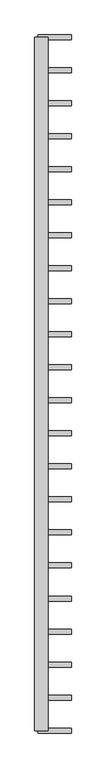
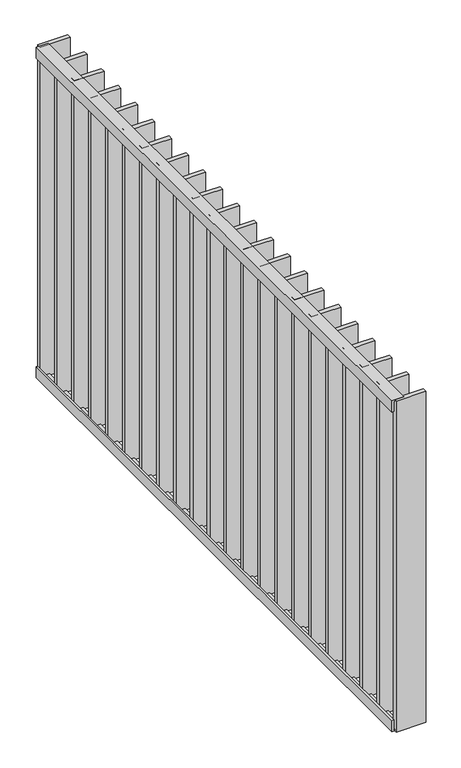
"""IFC4 building model written with IfcOpenShell, lengths in millimetres: railing geometry."""

from ifc_helpers import new_model, si_unit, frame, origin, place, context, project, spatial, polyline, outline, extrude, source, transform, mapped, element, save


def railing_046e6f09(model_context):
    return source(origin(), model_context, "Body", "SweptSolid", [
        extrude(outline(polyline([(7994.0, 60851.9325551), (7994.0, 60885.9325551), (8000.0, 60885.9325551), (8000.0, 60845.9325551), (7960.0, 60845.9325551), (7960.0, 60851.9325551), (7994.0, 60851.9325551)])), frame((0.0, 6109.4012767, 0.0), z_axis=(0.0, 1.0, 0.0), x_axis=(0.0, 0.0, 1.0)), (0.0, 0.0, 1.0), 2080.0),
        extrude(outline(polyline([(6826.0, 60851.9325551), (6860.0, 60851.9325551), (6860.0, 60845.9325551), (6820.0, 60845.9325551), (6820.0, 60885.9325551), (6826.0, 60885.9325551), (6826.0, 60851.9325551)])), frame((0.0, 6109.4012767, 0.0), z_axis=(0.0, 1.0, 0.0), x_axis=(0.0, 0.0, 1.0)), (0.0, 0.0, 1.0), 2080.0),
        extrude(outline(polyline([(60855.9325551, 8082.8536576), (60855.9325551, 8097.8536576), (60955.9325551, 8097.8536576), (60955.9325551, 8082.8536576), (60855.9325551, 8082.8536576)])), frame((0.0, 0.0, 6819.9), z_axis=(0.0, 0.0, 1.0), x_axis=(1.0, 0.0, 0.0)), (0.0, 0.0, 1.0), 1180.2),
        extrude(outline(polyline([(60855.9325551, 7983.8060386), (60855.9325551, 7998.8060386), (60955.9325551, 7998.8060386), (60955.9325551, 7983.8060386), (60855.9325551, 7983.8060386)])), frame((0.0, 0.0, 6819.9), z_axis=(0.0, 0.0, 1.0), x_axis=(1.0, 0.0, 0.0)), (0.0, 0.0, 1.0), 1180.2),
        extrude(outline(polyline([(60855.9325551, 7884.7584195), (60855.9325551, 7899.7584195), (60955.9325551, 7899.7584195), (60955.9325551, 7884.7584195), (60855.9325551, 7884.7584195)])), frame((0.0, 0.0, 6819.9), z_axis=(0.0, 0.0, 1.0), x_axis=(1.0, 0.0, 0.0)), (0.0, 0.0, 1.0), 1180.2),
        extrude(outline(polyline([(60855.9325551, 7785.7108005), (60855.9325551, 7800.7108005), (60955.9325551, 7800.7108005), (60955.9325551, 7785.7108005), (60855.9325551, 7785.7108005)])), frame((0.0, 0.0, 6819.9), z_axis=(0.0, 0.0, 1.0), x_axis=(1.0, 0.0, 0.0)), (0.0, 0.0, 1.0), 1180.2),
        extrude(outline(polyline([(60855.9325551, 7686.6631814), (60855.9325551, 7701.6631814), (60955.9325551, 7701.6631814), (60955.9325551, 7686.6631814), (60855.9325551, 7686.6631814)])), frame((0.0, 0.0, 6819.9), z_axis=(0.0, 0.0, 1.0), x_axis=(1.0, 0.0, 0.0)), (0.0, 0.0, 1.0), 1180.2),
        extrude(outline(polyline([(60855.9325551, 7587.6155624), (60855.9325551, 7602.6155624), (60955.9325551, 7602.6155624), (60955.9325551, 7587.6155624), (60855.9325551, 7587.6155624)])), frame((0.0, 0.0, 6819.9), z_axis=(0.0, 0.0, 1.0), x_axis=(1.0, 0.0, 0.0)), (0.0, 0.0, 1.0), 1180.2),
        extrude(outline(polyline([(60855.9325551, 7488.5679433), (60855.9325551, 7503.5679433), (60955.9325551, 7503.5679433), (60955.9325551, 7488.5679433), (60855.9325551, 7488.5679433)])), frame((0.0, 0.0, 6819.9), z_axis=(0.0, 0.0, 1.0), x_axis=(1.0, 0.0, 0.0)), (0.0, 0.0, 1.0), 1180.2),
        extrude(outline(polyline([(60855.9325551, 7389.5203243), (60855.9325551, 7404.5203243), (60955.9325551, 7404.5203243), (60955.9325551, 7389.5203243), (60855.9325551, 7389.5203243)])), frame((0.0, 0.0, 6819.9), z_axis=(0.0, 0.0, 1.0), x_axis=(1.0, 0.0, 0.0)), (0.0, 0.0, 1.0), 1180.2),
        extrude(outline(polyline([(60855.9325551, 7290.4727052), (60855.9325551, 7305.4727052), (60955.9325551, 7305.4727052), (60955.9325551, 7290.4727052), (60855.9325551, 7290.4727052)])), frame((0.0, 0.0, 6819.9), z_axis=(0.0, 0.0, 1.0), x_axis=(1.0, 0.0, 0.0)), (0.0, 0.0, 1.0), 1180.2),
        extrude(outline(polyline([(60855.9325551, 7191.4250862), (60855.9325551, 7206.4250862), (60955.9325551, 7206.4250862), (60955.9325551, 7191.4250862), (60855.9325551, 7191.4250862)])), frame((0.0, 0.0, 6819.9), z_axis=(0.0, 0.0, 1.0), x_axis=(1.0, 0.0, 0.0)), (0.0, 0.0, 1.0), 1180.2),
        extrude(outline(polyline([(60855.9325551, 7092.3774671), (60855.9325551, 7107.3774671), (60955.9325551, 7107.3774671), (60955.9325551, 7092.3774671), (60855.9325551, 7092.3774671)])), frame((0.0, 0.0, 6819.9), z_axis=(0.0, 0.0, 1.0), x_axis=(1.0, 0.0, 0.0)), (0.0, 0.0, 1.0), 1180.2),
        extrude(outline(polyline([(60855.9325551, 6993.3298481), (60855.9325551, 7008.3298481), (60955.9325551, 7008.3298481), (60955.9325551, 6993.3298481), (60855.9325551, 6993.3298481)])), frame((0.0, 0.0, 6819.9), z_axis=(0.0, 0.0, 1.0), x_axis=(1.0, 0.0, 0.0)), (0.0, 0.0, 1.0), 1180.2),
        extrude(outline(polyline([(60855.9325551, 6894.282229), (60855.9325551, 6909.282229), (60955.9325551, 6909.282229), (60955.9325551, 6894.282229), (60855.9325551, 6894.282229)])), frame((0.0, 0.0, 6819.9), z_axis=(0.0, 0.0, 1.0), x_axis=(1.0, 0.0, 0.0)), (0.0, 0.0, 1.0), 1180.2),
        extrude(outline(polyline([(60855.9325551, 6795.23461), (60855.9325551, 6810.23461), (60955.9325551, 6810.23461), (60955.9325551, 6795.23461), (60855.9325551, 6795.23461)])), frame((0.0, 0.0, 6819.9), z_axis=(0.0, 0.0, 1.0), x_axis=(1.0, 0.0, 0.0)), (0.0, 0.0, 1.0), 1180.2),
        extrude(outline(polyline([(60855.9325551, 6696.1869909), (60855.9325551, 6711.1869909), (60955.9325551, 6711.1869909), (60955.9325551, 6696.1869909), (60855.9325551, 6696.1869909)])), frame((0.0, 0.0, 6819.9), z_axis=(0.0, 0.0, 1.0), x_axis=(1.0, 0.0, 0.0)), (0.0, 0.0, 1.0), 1180.2),
        extrude(outline(polyline([(60855.9325551, 6597.1393719), (60855.9325551, 6612.1393719), (60955.9325551, 6612.1393719), (60955.9325551, 6597.1393719), (60855.9325551, 6597.1393719)])), frame((0.0, 0.0, 6819.9), z_axis=(0.0, 0.0, 1.0), x_axis=(1.0, 0.0, 0.0)), (0.0, 0.0, 1.0), 1180.2),
        extrude(outline(polyline([(60855.9325551, 6498.0917529), (60855.9325551, 6513.0917529), (60955.9325551, 6513.0917529), (60955.9325551, 6498.0917529), (60855.9325551, 6498.0917529)])), frame((0.0, 0.0, 6819.9), z_axis=(0.0, 0.0, 1.0), x_axis=(1.0, 0.0, 0.0)), (0.0, 0.0, 1.0), 1180.2),
        extrude(outline(polyline([(60855.9325551, 6399.0441338), (60855.9325551, 6414.0441338), (60955.9325551, 6414.0441338), (60955.9325551, 6399.0441338), (60855.9325551, 6399.0441338)])), frame((0.0, 0.0, 6819.9), z_axis=(0.0, 0.0, 1.0), x_axis=(1.0, 0.0, 0.0)), (0.0, 0.0, 1.0), 1180.2),
        extrude(outline(polyline([(60855.9325551, 6299.9965148), (60855.9325551, 6314.9965148), (60955.9325551, 6314.9965148), (60955.9325551, 6299.9965148), (60855.9325551, 6299.9965148)])), frame((0.0, 0.0, 6819.9), z_axis=(0.0, 0.0, 1.0), x_axis=(1.0, 0.0, 0.0)), (0.0, 0.0, 1.0), 1180.2),
        extrude(outline(polyline([(60855.9325551, 6200.9488957), (60855.9325551, 6215.9488957), (60955.9325551, 6215.9488957), (60955.9325551, 6200.9488957), (60855.9325551, 6200.9488957)])), frame((0.0, 0.0, 6819.9), z_axis=(0.0, 0.0, 1.0), x_axis=(1.0, 0.0, 0.0)), (0.0, 0.0, 1.0), 1180.2),
        extrude(outline(polyline([(60855.9325551, 8181.9012767), (60855.9325551, 8196.9012767), (60955.9325551, 8196.9012767), (60955.9325551, 8181.9012767), (60855.9325551, 8181.9012767)])), frame((0.0, 0.0, 6819.9), z_axis=(0.0, 0.0, 1.0), x_axis=(1.0, 0.0, 0.0)), (0.0, 0.0, 1.0), 1180.2),
        extrude(outline(polyline([(60855.9325551, 6101.9012767), (60855.9325551, 6116.9012767), (60955.9325551, 6116.9012767), (60955.9325551, 6101.9012767), (60855.9325551, 6101.9012767)])), frame((0.0, 0.0, 6819.9), z_axis=(0.0, 0.0, 1.0), x_axis=(1.0, 0.0, 0.0)), (0.0, 0.0, 1.0), 1180.2),
    ])


if __name__ == "__main__":
    model = new_model("IFC4")
    model_context = context("Model", 3, world=origin())
    ifc_project = project(units=[si_unit("LENGTHUNIT", "METRE", prefix="MILLI")], contexts=[model_context])
    site = spatial("IfcSite", under=ifc_project)
    building = spatial("IfcBuilding", under=site)
    placement = place(None, origin())
    railing_shape = railing_046e6f09(model_context)
    element("IfcRailing", 1, at=placement, inside=building, context=model_context, shape_type="MappedRepresentation", body=[
        mapped(railing_shape, transform((0.0, 0.0, 0.0), x_axis=(1.0, 0.0, 0.0), y_axis=(0.0, 1.0, 0.0), z_axis=(0.0, 0.0, 1.0))),
    ])
    save(model, "model.ifc")
